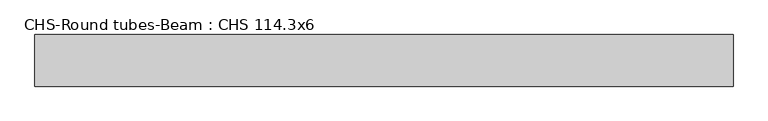
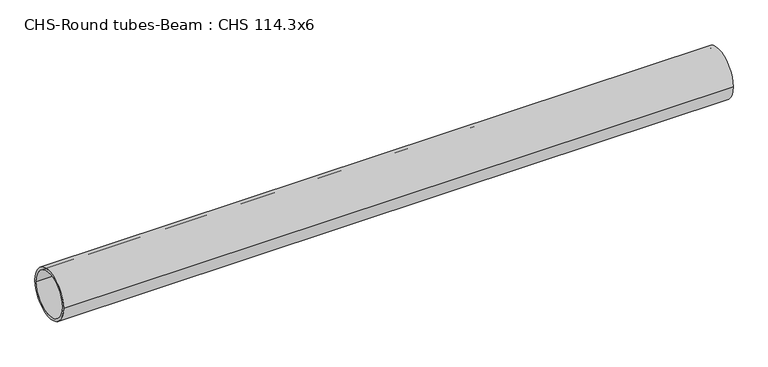
"""IFC4 building model written with IfcOpenShell, lengths in millimetres: beam geometry, CHS-Round tubes-Beam : CHS 114.3x6."""

from ifc_helpers import new_model, si_unit, point, frame, origin, origin_2d, place, context, project, spatial, circle_curve, trimmed, segment, composite_curve, outline, extrude, source, transform, mapped, element, save


def chs_round_tubes_beam_chs_114_3x6_594ca922(model_context):
    return source(origin(), model_context, "Body", "SweptSolid", [
        extrude(outline(composite_curve([segment(trimmed(circle_curve(origin_2d(), 57.15), [point((57.15, 0.0))], [point((-57.15, 0.0))], False, "CARTESIAN"), True, "CONTINUOUS"), segment(trimmed(circle_curve(origin_2d(), 57.15), [point((-57.15, 0.0))], [point((57.15, 0.0))], False, "CARTESIAN"), True, "CONTINUOUS")], self_intersect=False), holes=[composite_curve([segment(trimmed(circle_curve(origin_2d(), 51.15), [point((51.15, 0.0))], [point((-51.15, 0.0))], True, "CARTESIAN"), True, "CONTINUOUS"), segment(trimmed(circle_curve(origin_2d(), 51.15), [point((-51.15, 0.0))], [point((51.15, 0.0))], True, "CARTESIAN"), True, "CONTINUOUS")], self_intersect=False)]), frame((-784.8920388, 0.0, 0.0), z_axis=(1.0, 0.0, 0.0), x_axis=(0.0, 1.0, 0.0)), (0.0, 0.0, 1.0), 1544.5353097),
    ])


if __name__ == "__main__":
    model = new_model("IFC4")
    model_context = context("Model", 3, world=origin())
    ifc_project = project(units=[si_unit("LENGTHUNIT", "METRE", prefix="MILLI")], contexts=[model_context])
    site = spatial("IfcSite", under=ifc_project)
    building = spatial("IfcBuilding", under=site)
    placement = place(None, origin())
    chs_round_tubes_beam_chs_114_3x6_shape = chs_round_tubes_beam_chs_114_3x6_594ca922(model_context)
    element("IfcBeam", 1, ObjectType="CHS-Round tubes-Beam : CHS 114.3x6", at=placement, inside=building, context=model_context, shape_type="MappedRepresentation", body=[
        mapped(chs_round_tubes_beam_chs_114_3x6_shape, transform((0.0, 0.0, 0.0), x_axis=(1.0, 0.0, 0.0), y_axis=(0.0, 1.0, 0.0), z_axis=(0.0, 0.0, 1.0))),
    ])
    save(model, "model.ifc")
